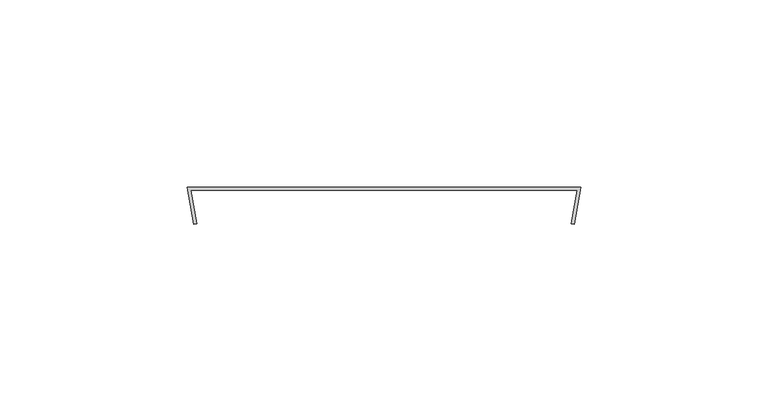
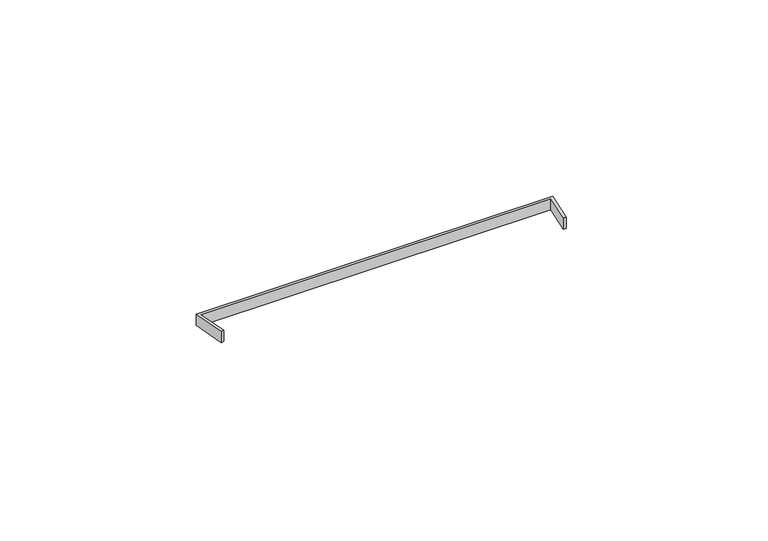
"""IFC4 building model written with IfcOpenShell, lengths in millimetres: proxy geometry."""

from ifc_helpers import new_model, si_unit, point, frame_2d, origin, origin_with_axes, place, context, project, spatial, polyline, circle_curve, trimmed, segment, composite_curve, outline, extrude, source, transform, mapped, element, save


def generic_models_6e2b9350(model_context):
    return source(origin(), model_context, "Body", "SweptSolid", [
        extrude(outline(composite_curve([segment(polyline([(105.0, 0.78125), (103.2635182, -9.0668275), (102.475672, -8.927909), (104.0535251, 0.0205405)]), True, "CONTINUOUS"), segment(trimmed(circle_curve(frame_2d((52.5, -1230.5002624)), 1231.6002648), [point((104.0535251, 0.0205405))], [point((0.9464749, 0.0205405))], True, "CARTESIAN"), True, "CONTINUOUS"), segment(polyline([(0.9464749, 0.0205405), (2.524328, -8.927909), (1.7364818, -9.0668275), (0.0, 0.78125)]), True, "CONTINUOUS"), segment(trimmed(circle_curve(frame_2d((52.5, -1230.5002624)), 1232.4002648), [point((0.0, 0.78125))], [point((105.0, 0.78125))], False, "CARTESIAN"), True, "CONTINUOUS")], self_intersect=False)), origin_with_axes(), (0.0, 0.0, 1.0), 3.5),
    ])


if __name__ == "__main__":
    model = new_model("IFC4")
    model_context = context("Model", 3, world=origin())
    ifc_project = project(units=[si_unit("LENGTHUNIT", "METRE", prefix="MILLI")], contexts=[model_context])
    site = spatial("IfcSite", under=ifc_project)
    building = spatial("IfcBuilding", under=site)
    placement = place(None, origin())
    generic_models_shape = generic_models_6e2b9350(model_context)
    element("IfcBuildingElementProxy", 1, Name="Generic Models", at=placement, inside=building, context=model_context, shape_type="MappedRepresentation", body=[
        mapped(generic_models_shape, transform((0.0, 0.0, 0.0), x_axis=(1.0, 0.0, 0.0), y_axis=(0.0, 1.0, 0.0), z_axis=(0.0, 0.0, 1.0))),
    ])
    save(model, "model.ifc")
